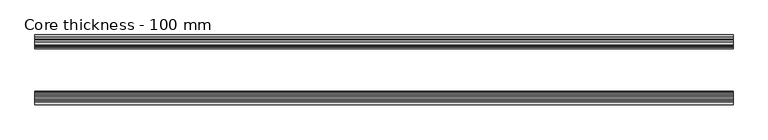
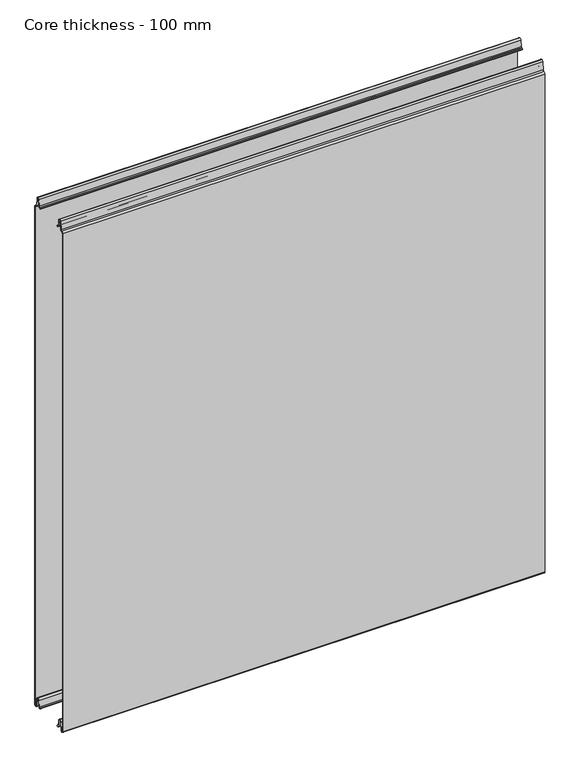
"""IFC4 building model written with IfcOpenShell, lengths in millimetres: plate geometry, Core thickness - 100 mm."""

import ifcopenshell
import ifcopenshell.guid

model = None  # the IFC model being written
_history = None  # IfcOwnerHistory: only IFC2X3 demands one
_inside = {}  # id of a spatial element -> (the spatial element, [elements in it])
_under = {}  # id of a project, library or spatial element -> (it, [spatial elements below it])
_declared = {}  # id of a project -> (the project, [libraries it declares])
_typed = {}  # id of a type object -> (the type object, [elements of that type])
_made_of = {}  # id of a material, layer set ... -> (it, [elements and type objects made of it])


def new_model(schema):
    """Start an empty IFC model of exactly this schema.

    Asked for "IFC4X3", IfcOpenShell would pick the latest addendum, in which some entities
    have other attributes; the version numbers below select the first issue.
    IFC2X3 requires an IfcOwnerHistory on every rooted entity: one is made here for all.
    """
    global model, _history
    if schema == "IFC4X3":
        model = ifcopenshell.file(schema_version=(4, 3, 0, 0))
    else:
        model = ifcopenshell.file(schema=schema)
    _inside.clear()
    _under.clear()
    _declared.clear()
    _typed.clear()
    _made_of.clear()
    _history = None
    if model.schema == "IFC2X3":
        org = make("IfcOrganization", Name="unknown")
        user = make(
            "IfcPersonAndOrganization",
            ThePerson=make("IfcPerson", FamilyName="unknown"),
            TheOrganization=org,
        )
        app = make(
            "IfcApplication",
            ApplicationDeveloper=org,
            Version="unknown",
            ApplicationFullName="unknown",
            ApplicationIdentifier="unknown",
        )
        _history = make(
            "IfcOwnerHistory",
            OwningUser=user,
            OwningApplication=app,
            ChangeAction="ADDED",
            CreationDate=0,
        )
    return model


def make(cls, **values):
    """One entity of the class cls with the attributes given. An attribute that is None is left unset."""
    return model.create_entity(
        cls, **{name: value for name, value in values.items() if value is not None}
    )


def rooted(cls, **values):
    """An entity with a GlobalId (a new one), such as an element, a storey or a relation."""
    return make(cls, GlobalId=ifcopenshell.guid.new(), OwnerHistory=_history, **values)


def si_unit(unit_type, name, prefix=None):
    """IfcSIUnit, for example si_unit("LENGTHUNIT", "METRE", prefix="MILLI")."""
    return make("IfcSIUnit", UnitType=unit_type, Prefix=prefix, Name=name)


def assignment(units):
    """IfcUnitAssignment: the units of a project."""
    return None if units is None else make("IfcUnitAssignment", Units=units)


def point(xyz):
    """IfcCartesianPoint."""
    return None if xyz is None else make("IfcCartesianPoint", Coordinates=xyz)


def direction(xyz):
    """IfcDirection."""
    return None if xyz is None else make("IfcDirection", DirectionRatios=xyz)


def frame(location, z_axis=None, x_axis=None):
    """IfcAxis2Placement3D, a coordinate frame: its origin and axes. An axis left out is left unset."""
    return make(
        "IfcAxis2Placement3D",
        Location=point(location),
        Axis=direction(z_axis),
        RefDirection=direction(x_axis),
    )


def origin():
    """The frame at (0, 0, 0) with its axes left unset."""
    return frame((0.0, 0.0, 0.0))


def place(relative_to, where):
    """IfcLocalPlacement: puts the frame where relative to a parent placement (None: the world)."""
    return make(
        "IfcLocalPlacement", PlacementRelTo=relative_to, RelativePlacement=where
    )


def context(
    kind, dimensions, precision=None, world=None, true_north=None, identifier=None
):
    """IfcGeometricRepresentationContext, for example the 3D "Model" context."""
    return make(
        "IfcGeometricRepresentationContext",
        ContextIdentifier=identifier,
        ContextType=kind,
        CoordinateSpaceDimension=dimensions,
        Precision=precision,
        WorldCoordinateSystem=world,
        TrueNorth=true_north,
    )


def project(units=None, contexts=None):
    """IfcProject with its units and contexts."""
    return rooted(
        "IfcProject",
        Name="project",
        RepresentationContexts=contexts,
        UnitsInContext=assignment(units),
    )


def spatial(cls, under=None, at=None, **own):
    """A site, building, storey or space (cls), placed at a placement, below another one or the project."""
    s = rooted(cls, ObjectPlacement=at, **own)
    if under is not None:
        _under.setdefault(under.id(), (under, []))[1].append(s)
    return s


def polyline(points):
    """IfcPolyline through the points."""
    return make("IfcPolyline", Points=[point(p) for p in points])


def circle_curve(where, radius):
    """IfcCircle in the frame where."""
    return make("IfcCircle", Position=where, Radius=radius)


def shape(context_of_items, identifier, shape_type, items):
    """IfcShapeRepresentation: the items that make up one representation, for example the "Body"."""
    return make(
        "IfcShapeRepresentation",
        ContextOfItems=context_of_items,
        RepresentationIdentifier=identifier,
        RepresentationType=shape_type,
        Items=items,
    )


def source(mapping_origin, context_of_items, identifier, shape_type, items):
    """IfcRepresentationMap: a shape defined once, which mapped items show again and again."""
    return make(
        "IfcRepresentationMap",
        MappingOrigin=mapping_origin,
        MappedRepresentation=shape(context_of_items, identifier, shape_type, items),
    )


def transform(
    local_origin,
    x_axis=None,
    y_axis=None,
    z_axis=None,
    scale=None,
    scale2=None,
    scale3=None,
    uniform=True,
):
    """IfcCartesianTransformationOperator3D, or its non-uniform kind. x_axis, y_axis, z_axis: its Axis1, 2, 3."""
    if uniform:
        return make(
            "IfcCartesianTransformationOperator3D",
            Axis1=direction(x_axis),
            Axis2=direction(y_axis),
            LocalOrigin=point(local_origin),
            Scale=scale,
            Axis3=direction(z_axis),
        )
    return make(
        "IfcCartesianTransformationOperator3DnonUniform",
        Axis1=direction(x_axis),
        Axis2=direction(y_axis),
        LocalOrigin=point(local_origin),
        Scale=scale,
        Axis3=direction(z_axis),
        Scale2=scale2,
        Scale3=scale3,
    )


def mapped(mapping_source, mapping_target):
    """IfcMappedItem: shows the shape of a source again, moved by a transform."""
    return make(
        "IfcMappedItem", MappingSource=mapping_source, MappingTarget=mapping_target
    )


def made_of(thing, what):
    """Note that an element or type object is made of a material, layer set ...; save() writes the relation."""
    if what is not None:
        _made_of.setdefault(what.id(), (what, []))[1].append(thing)
    return thing


def element(
    cls,
    number,
    at=None,
    inside=None,
    cuts=None,
    type_object=None,
    material=None,
    context=None,
    identifier="Body",
    shape_type=None,
    held_by="IfcProductDefinitionShape",
    body=None,
    shapes=None,
    **own,
):
    """One element of the class cls, such as IfcWall. Its Tag is "e" and its number.

    at: its placement. inside: the storey or other place that contains it. cuts: it is an
    opening in that element (IfcRelVoidsElement). A single representation is given by context,
    identifier, shape_type and body (its items); several are given by shapes. held_by: the class
    of the entity that holds the representations. save() writes the other relations.
    """
    e = rooted(cls, Tag="e%d" % number, ObjectPlacement=at, **own)
    if body is not None:
        shapes = [shape(context, identifier, shape_type, body)]
    if shapes is not None:
        e.Representation = make(held_by, Representations=shapes)
    if inside is not None:
        _inside.setdefault(inside.id(), (inside, []))[1].append(e)
    if cuts is not None:
        rooted(
            "IfcRelVoidsElement", RelatingBuildingElement=cuts, RelatedOpeningElement=e
        )
    if type_object is not None:
        _typed.setdefault(type_object.id(), (type_object, []))[1].append(e)
    return made_of(e, material)


def aggregate(whole, parts):
    """IfcRelAggregates: a whole, such as a stair, and the parts it consists of."""
    return rooted("IfcRelAggregates", RelatingObject=whole, RelatedObjects=parts)


def save(model, path):
    """Write the relations noted so far, then the file.

    IfcRelAggregates (storeys below a building ...), IfcRelContainedInSpatialStructure (elements
    in a storey), IfcRelDefinesByType, IfcRelAssociatesMaterial and IfcRelDeclares: one each for
    every whole, place, type object, material and project.
    """
    for whole, parts in _under.values():
        aggregate(whole, parts)
    for where, things in _inside.values():
        rooted(
            "IfcRelContainedInSpatialStructure",
            RelatedElements=things,
            RelatingStructure=where,
        )
    for kind, things in _typed.values():
        rooted("IfcRelDefinesByType", RelatedObjects=things, RelatingType=kind)
    for what, things in _made_of.values():
        rooted("IfcRelAssociatesMaterial", RelatedObjects=things, RelatingMaterial=what)
    for by, libraries in _declared.values():
        rooted("IfcRelDeclares", RelatingContext=by, RelatedDefinitions=libraries)
    model.write(path)


def plane_surface(at):
    """IfcPlane: the flat surface through the origin of the frame at, square to its z axis."""
    return make("IfcPlane", Position=at)


def cylinder_surface(at, radius):
    """IfcCylindricalSurface: all points at the distance radius from the z axis of the frame at."""
    return make("IfcCylindricalSurface", Position=at, Radius=radius)


def revolved_surface(curve, axis_point, axis_direction):
    """IfcSurfaceOfRevolution: the curve turned about the line through axis_point along axis_direction."""
    return make(
        "IfcSurfaceOfRevolution",
        SweptCurve=make("IfcArbitraryOpenProfileDef", ProfileType="CURVE", Curve=curve),
        AxisPosition=make("IfcAxis1Placement", Location=point(axis_point), Axis=direction(axis_direction)),
    )


def advanced_brep(points, edges, surfaces, faces):
    """IfcAdvancedBrep: a solid bounded by faces that lie on surfaces and meet in shared edges.

    An edge is (start, end): straight between two places in points (the first is 0);
    or (start, end, curve); or (start, end, curve, False) where it runs against its curve.
    A face is (place in surfaces, loops), or (place, loops, False) where it looks against
    its surface's normal. A loop lists edges by number (the first is 1), with a minus sign
    where the edge is run from its end to its start. The first loop is the outer one.
    """
    corners = [point(p) for p in points]
    vertices = [make("IfcVertexPoint", VertexGeometry=c) for c in corners]
    made = []
    for start, end, *more in edges:
        made.append(
            make(
                "IfcEdgeCurve",
                EdgeStart=vertices[start],
                EdgeEnd=vertices[end],
                EdgeGeometry=more[0] if more else make("IfcPolyline", Points=[corners[start], corners[end]]),
                SameSense=more[1] if len(more) > 1 else True,
            )
        )
    hull = []
    for where, loops, *sense in faces:
        bounds = []
        for j, loop in enumerate(loops):
            ring = [make("IfcOrientedEdge", EdgeElement=made[abs(k) - 1], Orientation=k > 0) for k in loop]
            bounds.append(
                make(
                    "IfcFaceOuterBound" if j == 0 else "IfcFaceBound",
                    Bound=make("IfcEdgeLoop", EdgeList=ring),
                    Orientation=True,
                )
            )
        hull.append(make("IfcAdvancedFace", Bounds=bounds, FaceSurface=surfaces[where], SameSense=sense[0] if sense else True))
    return make("IfcAdvancedBrep", Outer=make("IfcClosedShell", CfsFaces=hull))


def core_thickness_100_mm_8b39f013(model_context):
    return source(origin(), model_context, "Body", "AdvancedBrep", [
        advanced_brep(
        [(500.0000002, -99.1996949, 1093.8000005), (500.0000002, -96.6339815, 1096.1942726), (500.0000002, -93.1209335, 1099.1779769), (500.0000002, -91.4584333, 1116.1334653), (500.0000002, -89.1776715, 1118.1999998), (500.0000002, -86.8969097, 1116.1334653), (500.0000002, -85.5642071, 1102.5415123), (500.0000002, -82.9766159, 1100.1952279), (500.0000002, -81.8996949, 1100.1952279), (500.0000002, -81.2996949, 1099.5952279), (500.0000002, -81.2996949, 1098.4952279), (500.0000002, -80.4996949, 1098.4952279), (500.0000002, -80.4996949, 1099.5952279), (500.0000002, -81.8996949, 1100.9952279), (500.0000002, -82.9766159, 1100.9952279), (500.0000002, -84.7680252, 1102.6195786), (500.0000002, -86.1007278, 1116.2115316), (500.0000002, -89.1776715, 1119.0), (500.0000002, -92.2546153, 1116.2115316), (500.0000002, -93.9171154, 1099.2560432), (500.0000002, -96.5778021, 1097.005967), (500.0000002, -99.9996949, 1093.8000005), (500.0000002, -99.9996949, 2.9900682), (500.0000002, -93.81449, 2.6875612), (500.0000002, -92.197116, 19.1828169), (500.0000002, -89.1776715, 21.8898782), (500.0000002, -86.1582271, 19.1828169), (500.0000002, -84.7725998, 5.0510966), (500.0000002, -80.3830995, 5.265779), (500.0000002, -81.1830995, 5.265779), (500.0000002, -83.9764178, 5.1291629), (500.0000002, -85.3620451, 19.2608832), (500.0000002, -89.1776715, 22.6899182), (500.0000002, -92.9932979, 19.2608832), (500.0000002, -94.6106719, 2.7656275), (500.0000002, -99.1996949, 2.9900682), (-500.0000002, -99.2, 1093.8000005), (-500.0000002, -99.2, 2.9900682), (-500.0000002, -94.6106719, 2.7656275), (-500.0000002, -92.9932979, 19.2608832), (-500.0000002, -89.1776715, 22.6899182), (-500.0000002, -85.3620451, 19.2608832), (-500.0000002, -83.9764178, 5.1291629), (-500.0000002, -81.1830995, 5.265779), (-500.0000002, -80.3830995, 5.265779), (-500.0000002, -84.7725998, 5.0510966), (-500.0000002, -86.1582271, 19.1828169), (-500.0000002, -89.1776715, 21.8898782), (-500.0000002, -92.197116, 19.1828169), (-500.0000002, -93.81449, 2.6875612), (-500.0000002, -99.9996949, 2.9900682), (-500.0000002, -99.9996949, 1093.8000005), (-500.0000002, -96.5787437, 1096.9923633), (-500.0000002, -93.9171154, 1099.2560432), (-500.0000002, -92.2546153, 1116.2115316), (-500.0000002, -89.1776715, 1119.0), (-500.0000002, -86.1007278, 1116.2115316), (-500.0000002, -84.7680252, 1102.6195786), (-500.0000002, -82.9766159, 1100.9952279), (-500.0000002, -81.8996949, 1100.9952279), (-500.0000002, -80.4996949, 1099.5952279), (-500.0000002, -80.4996949, 1098.4952279), (-500.0000002, -81.2996949, 1098.4952279), (-500.0000002, -81.2996949, 1099.5952279), (-500.0000002, -81.8996949, 1100.1952279), (-500.0000002, -82.9766159, 1100.1952279), (-500.0000002, -85.5642071, 1102.5415123), (-500.0000002, -86.8969097, 1116.1334653), (-500.0000002, -89.1776715, 1118.1999998), (-500.0000002, -91.4584333, 1116.1334653), (-500.0000002, -93.1209335, 1099.1779769), (-500.0000002, -96.6330399, 1096.2078763)],
        [
            (0, 1, circle_curve(frame((500.0000002, -96.7996949, 1093.8000005), z_axis=(-1.0, 0.0, 0.0), x_axis=(0.0, 0.0, -1.0)), 2.4)),
            (1, 2, circle_curve(frame((500.0000002, -96.4051839, 1099.5000005), z_axis=(1.0, 0.0, 0.0), x_axis=(0.0, 0.0, -1.0)), 3.3)),
            (2, 3),
            (3, 4, circle_curve(frame((500.0000002, -89.1793626, 1115.9100005), z_axis=(-1.0, 0.0, 0.0), x_axis=(0.0, 0.0, -1.0)), 2.29)),
            (4, 5, circle_curve(frame((500.0000002, -89.1759805, 1115.9100005), z_axis=(-1.0, 0.0, 0.0), x_axis=(0.0, 0.0, -1.0)), 2.29)),
            (5, 6),
            (6, 7, circle_curve(frame((500.0000002, -82.9766159, 1102.7952279), z_axis=(1.0, 0.0, 0.0), x_axis=(0.0, 0.0, -1.0)), 2.6)),
            (7, 8),
            (8, 9, circle_curve(frame((500.0000002, -81.8996949, 1099.5952279), z_axis=(-1.0, 0.0, 0.0), x_axis=(0.0, 0.0, -1.0)), 0.6)),
            (9, 10),
            (10, 11),
            (11, 12),
            (12, 13, circle_curve(frame((500.0000002, -81.8996949, 1099.5952279), z_axis=(1.0, 0.0, 0.0), x_axis=(0.0, 0.0, -1.0)), 1.4)),
            (13, 14),
            (14, 15, circle_curve(frame((500.0000002, -82.9766159, 1102.7952279), z_axis=(-1.0, 0.0, 0.0), x_axis=(0.0, 0.0, -1.0)), 1.8)),
            (15, 16),
            (16, 17, circle_curve(frame((500.0000002, -89.1759805, 1115.9100005), z_axis=(1.0, 0.0, 0.0), x_axis=(0.0, 0.0, -1.0)), 3.09)),
            (17, 18, circle_curve(frame((500.0000002, -89.1793626, 1115.9100005), z_axis=(1.0, 0.0, 0.0), x_axis=(0.0, 0.0, -1.0)), 3.09)),
            (18, 19),
            (19, 20, circle_curve(frame((500.0000002, -96.4051839, 1099.5000005), z_axis=(-1.0, 0.0, 0.0), x_axis=(0.0, 0.0, -1.0)), 2.5)),
            (20, 21, circle_curve(frame((500.0000002, -96.7996949, 1093.8000005), z_axis=(1.0, 0.0, 0.0), x_axis=(0.0, 0.0, -1.0)), 3.2)),
            (21, 22),
            (22, 23, circle_curve(frame((500.0000002, -96.8996949, 2.9900682), z_axis=(1.0, 0.0, 0.0), x_axis=(0.0, 0.0, -1.0)), 3.1)),
            (23, 24),
            (24, 25, circle_curve(frame((500.0000002, -89.2114338, 18.8900682), z_axis=(-1.0, 0.0, 0.0), x_axis=(0.0, 0.0, -1.0)), 3.0)),
            (25, 26, circle_curve(frame((500.0000002, -89.1439093, 18.8900682), z_axis=(-1.0, 0.0, 0.0), x_axis=(0.0, 0.0, -1.0)), 3.0)),
            (26, 27),
            (27, 28, circle_curve(frame((500.0000002, -82.5830995, 5.265779), z_axis=(1.0, 0.0, 0.0), x_axis=(0.0, 0.0, -1.0)), 2.2)),
            (28, 29),
            (29, 30, circle_curve(frame((500.0000002, -82.5830995, 5.265779), z_axis=(-1.0, 0.0, 0.0), x_axis=(0.0, 0.0, -1.0)), 1.4)),
            (30, 31),
            (31, 32, circle_curve(frame((500.0000002, -89.1439093, 18.8900682), z_axis=(1.0, 0.0, 0.0), x_axis=(0.0, 0.0, -1.0)), 3.8)),
            (32, 33, circle_curve(frame((500.0000002, -89.2114338, 18.8900682), z_axis=(1.0, 0.0, 0.0), x_axis=(0.0, 0.0, -1.0)), 3.8)),
            (33, 34),
            (34, 35, circle_curve(frame((500.0000002, -96.8996949, 2.9900682), z_axis=(-1.0, 0.0, 0.0), x_axis=(0.0, 0.0, -1.0)), 2.3)),
            (35, 0),
            (36, 37),
            (37, 38, circle_curve(frame((-500.0000002, -96.8996949, 2.9900682), z_axis=(1.0, 0.0, 0.0), x_axis=(0.0, 0.0, -1.0)), 2.3)),
            (38, 39),
            (39, 40, circle_curve(frame((-500.0000002, -89.2114338, 18.8900682), z_axis=(-1.0, 0.0, 0.0), x_axis=(0.0, 0.0, -1.0)), 3.8)),
            (40, 41, circle_curve(frame((-500.0000002, -89.1439093, 18.8900682), z_axis=(-1.0, 0.0, 0.0), x_axis=(0.0, 0.0, -1.0)), 3.8)),
            (41, 42),
            (42, 43, circle_curve(frame((-500.0000002, -82.5830995, 5.265779), z_axis=(1.0, 0.0, 0.0), x_axis=(0.0, 0.0, -1.0)), 1.4)),
            (43, 44),
            (44, 45, circle_curve(frame((-500.0000002, -82.5830995, 5.265779), z_axis=(-1.0, 0.0, 0.0), x_axis=(0.0, 0.0, -1.0)), 2.2)),
            (45, 46),
            (46, 47, circle_curve(frame((-500.0000002, -89.1439093, 18.8900682), z_axis=(1.0, 0.0, 0.0), x_axis=(0.0, 0.0, -1.0)), 3.0)),
            (47, 48, circle_curve(frame((-500.0000002, -89.2114338, 18.8900682), z_axis=(1.0, 0.0, 0.0), x_axis=(0.0, 0.0, -1.0)), 3.0)),
            (48, 49),
            (49, 50, circle_curve(frame((-500.0000002, -96.8996949, 2.9900682), z_axis=(-1.0, 0.0, 0.0), x_axis=(0.0, 0.0, -1.0)), 3.1)),
            (50, 51),
            (51, 52, circle_curve(frame((-500.0000002, -96.7996949, 1093.8000005), z_axis=(-1.0, 0.0, 0.0), x_axis=(0.0, 0.0, -1.0)), 3.2)),
            (52, 53, circle_curve(frame((-500.0000002, -96.4051839, 1099.5000005), z_axis=(1.0, 0.0, 0.0), x_axis=(0.0, 0.0, -1.0)), 2.5)),
            (53, 54),
            (54, 55, circle_curve(frame((-500.0000002, -89.1793626, 1115.9100005), z_axis=(-1.0, 0.0, 0.0), x_axis=(0.0, 0.0, -1.0)), 3.09)),
            (55, 56, circle_curve(frame((-500.0000002, -89.1759805, 1115.9100005), z_axis=(-1.0, 0.0, 0.0), x_axis=(0.0, 0.0, -1.0)), 3.09)),
            (56, 57),
            (57, 58, circle_curve(frame((-500.0000002, -82.9766159, 1102.7952279), z_axis=(1.0, 0.0, 0.0), x_axis=(0.0, 0.0, -1.0)), 1.8)),
            (58, 59),
            (59, 60, circle_curve(frame((-500.0000002, -81.8996949, 1099.5952279), z_axis=(-1.0, 0.0, 0.0), x_axis=(0.0, 0.0, -1.0)), 1.4)),
            (60, 61),
            (61, 62),
            (62, 63),
            (63, 64, circle_curve(frame((-500.0000002, -81.8996949, 1099.5952279), z_axis=(1.0, 0.0, 0.0), x_axis=(0.0, 0.0, -1.0)), 0.6)),
            (64, 65),
            (65, 66, circle_curve(frame((-500.0000002, -82.9766159, 1102.7952279), z_axis=(-1.0, 0.0, 0.0), x_axis=(0.0, 0.0, -1.0)), 2.6)),
            (66, 67),
            (67, 68, circle_curve(frame((-500.0000002, -89.1759805, 1115.9100005), z_axis=(1.0, 0.0, 0.0), x_axis=(0.0, 0.0, -1.0)), 2.29)),
            (68, 69, circle_curve(frame((-500.0000002, -89.1793626, 1115.9100005), z_axis=(1.0, 0.0, 0.0), x_axis=(0.0, 0.0, -1.0)), 2.29)),
            (69, 70),
            (70, 71, circle_curve(frame((-500.0000002, -96.4051839, 1099.5000005), z_axis=(-1.0, 0.0, 0.0), x_axis=(0.0, 0.0, -1.0)), 3.3)),
            (71, 36, circle_curve(frame((-500.0000002, -96.7996949, 1093.8000005), z_axis=(1.0, 0.0, 0.0), x_axis=(0.0, 0.0, -1.0)), 2.4)),
            (35, 37),
            (36, 0),
            (21, 51),
            (50, 22),
            (20, 52),
            (19, 53),
            (18, 54),
            (17, 55),
            (16, 56),
            (15, 57),
            (14, 58),
            (13, 59),
            (12, 60),
            (11, 61),
            (10, 62),
            (9, 63),
            (8, 64),
            (7, 65),
            (6, 66),
            (5, 67),
            (4, 68),
            (3, 69),
            (2, 70),
            (1, 71),
            (34, 38),
            (33, 39),
            (32, 40),
            (31, 41),
            (30, 42),
            (29, 43),
            (28, 44),
            (27, 45),
            (26, 46),
            (25, 47),
            (24, 48),
            (23, 49),
        ],
        [
            plane_surface(frame((500.0000002, -100.0, 0.0), z_axis=(1.0, 0.0, 0.0), x_axis=(0.0, 1.0, 0.0))),
            plane_surface(frame((-500.0000002, -100.0, 0.0), z_axis=(-1.0, 0.0, 0.0), x_axis=(0.0, 1.0, 0.0))),
            plane_surface(frame((500.0000002, -99.2, 2.9900682), z_axis=(0.0, 1.0, 0.0), x_axis=(-1.0, 0.0, 0.0))),
            plane_surface(frame((500.0000002, -99.9996949, 1093.8000005), z_axis=(0.0, -1.0, 0.0), x_axis=(-1.0, 0.0, 0.0))),
            cylinder_surface(frame((500.0000002, -96.7996949, 1093.8000005), z_axis=(1.0, 0.0, 0.0), x_axis=(0.0, 0.0, -1.0)), 3.2),
            revolved_surface(polyline([(-500.0000002, -96.4051839, 1097.0000005), (500.0000002, -96.4051839, 1097.0000005)]), (500.0000002, -96.4051839, 1099.5000005), (-1.0, 0.0, 0.0)),
            plane_surface(frame((500.0000002, -92.2546153, 1116.2115316), z_axis=(0.0, -0.9952273999818317, 0.0975828997591444), x_axis=(-1.0, 0.0, 0.0))),
            cylinder_surface(frame((500.0000002, -89.1793626, 1115.9100005), z_axis=(1.0, 0.0, 0.0), x_axis=(0.0, 0.0, -1.0)), 3.09),
            cylinder_surface(frame((500.0000002, -89.1759805, 1115.9100005), z_axis=(1.0, 0.0, 0.0), x_axis=(0.0, 0.0, -1.0)), 3.09),
            plane_surface(frame((500.0000002, -84.7680252, 1102.6195786), z_axis=(0.0, 0.9952273999818314, 0.0975828997591471), x_axis=(-1.0, 0.0, 0.0))),
            revolved_surface(polyline([(-500.0000002, -82.9766159, 1100.9952279000001), (500.0000002, -82.9766159, 1100.9952279000001)]), (500.0000002, -82.9766159, 1102.7952279), (-1.0, 0.0, 0.0)),
            plane_surface(frame((500.0000002, -81.8996949, 1100.9952279), z_axis=(0.0, 0.0, 1.0), x_axis=(-1.0, 0.0, 0.0))),
            cylinder_surface(frame((500.0000002, -81.8996949, 1099.5952279), z_axis=(1.0, 0.0, 0.0), x_axis=(0.0, 0.0, -1.0)), 1.4),
            plane_surface(frame((500.0000002, -80.4996949, 1098.4952279), z_axis=(0.0, 1.0, 0.0), x_axis=(-1.0, 0.0, 0.0))),
            plane_surface(frame((500.0000002, -81.2996949, 1098.4952279), z_axis=(0.0, 0.0, -1.0), x_axis=(-1.0, 0.0, 0.0))),
            plane_surface(frame((500.0000002, -81.2996949, 1099.5952279), z_axis=(0.0, -1.0, 0.0), x_axis=(-1.0, 0.0, 0.0))),
            revolved_surface(polyline([(-500.0000002, -81.8996949, 1098.9952279000001), (500.0000002, -81.8996949, 1098.9952279000001)]), (500.0000002, -81.8996949, 1099.5952279), (-1.0, 0.0, 0.0)),
            plane_surface(frame((500.0000002, -82.9766159, 1100.1952279), z_axis=(0.0, 0.0, -1.0), x_axis=(-1.0, 0.0, 0.0))),
            cylinder_surface(frame((500.0000002, -82.9766159, 1102.7952279), z_axis=(1.0, 0.0, 0.0), x_axis=(0.0, 0.0, -1.0)), 2.6),
            plane_surface(frame((500.0000002, -86.8969097, 1116.1334653), z_axis=(0.0, -0.9952273999818314, -0.09758289975914705), x_axis=(-1.0, 0.0, 0.0))),
            revolved_surface(polyline([(-500.0000002, -89.1759805, 1113.6200005), (500.0000002, -89.1759805, 1113.6200005)]), (500.0000002, -89.1759805, 1115.9100005), (-1.0, 0.0, 0.0)),
            revolved_surface(polyline([(-500.0000002, -89.1793626, 1113.6200005), (500.0000002, -89.1793626, 1113.6200005)]), (500.0000002, -89.1793626, 1115.9100005), (-1.0, 0.0, 0.0)),
            plane_surface(frame((500.0000002, -93.1209335, 1099.1779769), z_axis=(0.0, 0.9952273999818317, -0.09758289975914436), x_axis=(-1.0, 0.0, 0.0))),
            cylinder_surface(frame((500.0000002, -96.4051839, 1099.5000005), z_axis=(1.0, 0.0, 0.0), x_axis=(0.0, 0.0, -1.0)), 3.3),
            revolved_surface(polyline([(-500.0000002, -96.7996949, 1091.4000004999998), (500.0000002, -96.7996949, 1091.4000004999998)]), (500.0000002, -96.7996949, 1093.8000005), (-1.0, 0.0, 0.0)),
            revolved_surface(polyline([(-500.0000002, -96.8996949, 0.6900682000000002), (500.0000002, -96.8996949, 0.6900682000000002)]), (500.0000002, -96.8996949, 2.9900682), (-1.0, 0.0, 0.0)),
            plane_surface(frame((500.0000002, -92.9932979, 19.2608832), z_axis=(0.0, -0.9952273999818314, 0.09758289975914787), x_axis=(-1.0, 0.0, 0.0))),
            cylinder_surface(frame((500.0000002, -89.2114338, 18.8900682), z_axis=(1.0, 0.0, 0.0), x_axis=(0.0, 0.0, -1.0)), 3.8),
            cylinder_surface(frame((500.0000002, -89.1439093, 18.8900682), z_axis=(1.0, 0.0, 0.0), x_axis=(0.0, 0.0, -1.0)), 3.8),
            plane_surface(frame((500.0000002, -83.9764178, 5.1291629), z_axis=(0.0, 0.9952273999818297, 0.09758289975916531), x_axis=(-1.0, 0.0, 0.0))),
            revolved_surface(polyline([(-500.0000002, -82.5830995, 3.8657790000000003), (500.0000002, -82.5830995, 3.8657790000000003)]), (500.0000002, -82.5830995, 5.265779), (-1.0, 0.0, 0.0)),
            plane_surface(frame((500.0000002, -80.3830995, 5.265779), z_axis=(0.0, 0.0, 1.0), x_axis=(-1.0, 0.0, 0.0))),
            cylinder_surface(frame((500.0000002, -82.5830995, 5.265779), z_axis=(1.0, 0.0, 0.0), x_axis=(0.0, 0.0, -1.0)), 2.2),
            plane_surface(frame((500.0000002, -86.1582271, 19.1828169), z_axis=(0.0, -0.9952273999818296, -0.09758289975916527), x_axis=(-1.0, 0.0, 0.0))),
            revolved_surface(polyline([(-500.0000002, -89.1439093, 15.890068200000002), (500.0000002, -89.1439093, 15.890068200000002)]), (500.0000002, -89.1439093, 18.8900682), (-1.0, 0.0, 0.0)),
            revolved_surface(polyline([(-500.0000002, -89.2114338, 15.890068200000002), (500.0000002, -89.2114338, 15.890068200000002)]), (500.0000002, -89.2114338, 18.8900682), (-1.0, 0.0, 0.0)),
            plane_surface(frame((500.0000002, -93.81449, 2.6875612), z_axis=(0.0, 0.9952273999818314, -0.09758289975914787), x_axis=(-1.0, 0.0, 0.0))),
            cylinder_surface(frame((500.0000002, -96.8996949, 2.9900682), z_axis=(1.0, 0.0, 0.0), x_axis=(0.0, 0.0, -1.0)), 3.1),
        ],
        [
            (0, [[1, 2, 3, 4, 5, 6, 7, 8, 9, 10, 11, 12, 13, 14, 15, 16, 17, 18, 19, 20, 21, 22, 23, 24, 25, 26, 27, 28, 29, 30, 31, 32, 33, 34, 35, 36]]),
            (1, [[37, 38, 39, 40, 41, 42, 43, 44, 45, 46, 47, 48, 49, 50, 51, 52, 53, 54, 55, 56, 57, 58, 59, 60, 61, 62, 63, 64, 65, 66, 67, 68, 69, 70, 71, 72]]),
            (2, [[-36, 73, -37, 74]]),
            (3, [[-22, 75, -51, 76]]),
            (4, [[-21, 77, -52, -75]]),
            (5, [[-20, 78, -53, -77]]),
            (6, [[-19, 79, -54, -78]]),
            (7, [[-18, 80, -55, -79]]),
            (8, [[-17, 81, -56, -80]]),
            (9, [[-16, 82, -57, -81]]),
            (10, [[-15, 83, -58, -82]]),
            (11, [[-14, 84, -59, -83]]),
            (12, [[-13, 85, -60, -84]]),
            (13, [[-12, 86, -61, -85]]),
            (14, [[-11, 87, -62, -86]]),
            (15, [[-10, 88, -63, -87]]),
            (16, [[-9, 89, -64, -88]]),
            (17, [[-8, 90, -65, -89]]),
            (18, [[-7, 91, -66, -90]]),
            (19, [[-6, 92, -67, -91]]),
            (20, [[-5, 93, -68, -92]]),
            (21, [[-4, 94, -69, -93]]),
            (22, [[-3, 95, -70, -94]]),
            (23, [[-2, 96, -71, -95]]),
            (24, [[-1, -74, -72, -96]]),
            (25, [[-35, 97, -38, -73]]),
            (26, [[-34, 98, -39, -97]]),
            (27, [[-33, 99, -40, -98]]),
            (28, [[-32, 100, -41, -99]]),
            (29, [[-31, 101, -42, -100]]),
            (30, [[-30, 102, -43, -101]]),
            (31, [[-29, 103, -44, -102]]),
            (32, [[-28, 104, -45, -103]]),
            (33, [[-27, 105, -46, -104]]),
            (34, [[-26, 106, -47, -105]]),
            (35, [[-25, 107, -48, -106]]),
            (36, [[-24, 108, -49, -107]]),
            (37, [[-23, -76, -50, -108]]),
        ],
    ),
        advanced_brep(
        [(500.0000002, -0.8, 1093.8000005), (500.0000002, -0.8, 2.9900682), (500.0000002, -5.3893281, 2.7656275), (500.0000002, -7.0067021, 19.2608832), (500.0000002, -10.8223285, 22.6899182), (500.0000002, -14.6379549, 19.2608832), (500.0000002, -16.0235822, 5.1291629), (500.0000002, -18.8169005, 5.265779), (500.0000002, -19.6169005, 5.265779), (500.0000002, -15.2274002, 5.0510966), (500.0000002, -13.8417729, 19.1828169), (500.0000002, -10.8223285, 21.8898782), (500.0000002, -7.802884, 19.1828169), (500.0000002, -6.18551, 2.6875612), (500.0000002, -0.0003051, 2.9900682), (500.0000002, -0.0003051, 1093.8000005), (500.0000002, -3.4212563, 1096.9923633), (500.0000002, -6.0828846, 1099.2560432), (500.0000002, -7.7453847, 1116.2115316), (500.0000002, -10.8223285, 1119.0), (500.0000002, -13.8992722, 1116.2115316), (500.0000002, -15.2319748, 1102.6195786), (500.0000002, -17.0233841, 1100.9952279), (500.0000002, -18.1003051, 1100.9952279), (500.0000002, -19.5003051, 1099.5952279), (500.0000002, -19.5003051, 1098.4952279), (500.0000002, -18.7003051, 1098.4952279), (500.0000002, -18.7003051, 1099.5952279), (500.0000002, -18.1003051, 1100.1952279), (500.0000002, -17.0233841, 1100.1952279), (500.0000002, -14.4357929, 1102.5415123), (500.0000002, -13.1030903, 1116.1334653), (500.0000002, -10.8223285, 1118.1999998), (500.0000002, -8.5415667, 1116.1334653), (500.0000002, -6.8790665, 1099.1779769), (500.0000002, -3.3669601, 1096.2078763), (-500.0000002, -0.8003051, 1093.8000005), (-500.0000002, -3.3660185, 1096.1942726), (-500.0000002, -6.8790665, 1099.1779769), (-500.0000002, -8.5415667, 1116.1334653), (-500.0000002, -10.8223285, 1118.1999998), (-500.0000002, -13.1030903, 1116.1334653), (-500.0000002, -14.4357929, 1102.5415123), (-500.0000002, -17.0233841, 1100.1952279), (-500.0000002, -18.1003051, 1100.1952279), (-500.0000002, -18.7003051, 1099.5952279), (-500.0000002, -18.7003051, 1098.4952279), (-500.0000002, -19.5003051, 1098.4952279), (-500.0000002, -19.5003051, 1099.5952279), (-500.0000002, -18.1003051, 1100.9952279), (-500.0000002, -17.0233841, 1100.9952279), (-500.0000002, -15.2319748, 1102.6195786), (-500.0000002, -13.8992722, 1116.2115316), (-500.0000002, -10.8223285, 1119.0), (-500.0000002, -7.7453847, 1116.2115316), (-500.0000002, -6.0828846, 1099.2560432), (-500.0000002, -3.4221979, 1097.005967), (-500.0000002, -0.0003051, 1093.8000005), (-500.0000002, -0.0003051, 2.9900682), (-500.0000002, -6.18551, 2.6875612), (-500.0000002, -7.802884, 19.1828169), (-500.0000002, -10.8223285, 21.8898782), (-500.0000002, -13.8417729, 19.1828169), (-500.0000002, -15.2274002, 5.0510966), (-500.0000002, -19.6169005, 5.265779), (-500.0000002, -18.8169005, 5.265779), (-500.0000002, -16.0235822, 5.1291629), (-500.0000002, -14.6379549, 19.2608832), (-500.0000002, -10.8223285, 22.6899182), (-500.0000002, -7.0067021, 19.2608832), (-500.0000002, -5.3893281, 2.7656275), (-500.0000002, -0.8003051, 2.9900682)],
        [
            (0, 1),
            (1, 2, circle_curve(frame((500.0000002, -3.1003051, 2.9900682), z_axis=(-1.0, 0.0, 0.0), x_axis=(0.0, 0.0, -1.0)), 2.3)),
            (2, 3),
            (3, 4, circle_curve(frame((500.0000002, -10.7885662, 18.8900682), z_axis=(1.0, 0.0, 0.0), x_axis=(0.0, 0.0, -1.0)), 3.8)),
            (4, 5, circle_curve(frame((500.0000002, -10.8560907, 18.8900682), z_axis=(1.0, 0.0, 0.0), x_axis=(0.0, 0.0, -1.0)), 3.8)),
            (5, 6),
            (6, 7, circle_curve(frame((500.0000002, -17.4169005, 5.265779), z_axis=(-1.0, 0.0, 0.0), x_axis=(0.0, 0.0, -1.0)), 1.4)),
            (7, 8),
            (8, 9, circle_curve(frame((500.0000002, -17.4169005, 5.265779), z_axis=(1.0, 0.0, 0.0), x_axis=(0.0, 0.0, -1.0)), 2.2)),
            (9, 10),
            (10, 11, circle_curve(frame((500.0000002, -10.8560907, 18.8900682), z_axis=(-1.0, 0.0, 0.0), x_axis=(0.0, 0.0, -1.0)), 3.0)),
            (11, 12, circle_curve(frame((500.0000002, -10.7885662, 18.8900682), z_axis=(-1.0, 0.0, 0.0), x_axis=(0.0, 0.0, -1.0)), 3.0)),
            (12, 13),
            (13, 14, circle_curve(frame((500.0000002, -3.1003051, 2.9900682), z_axis=(1.0, 0.0, 0.0), x_axis=(0.0, 0.0, -1.0)), 3.1)),
            (14, 15),
            (15, 16, circle_curve(frame((500.0000002, -3.2003051, 1093.8000005), z_axis=(1.0, 0.0, 0.0), x_axis=(0.0, 0.0, -1.0)), 3.2)),
            (16, 17, circle_curve(frame((500.0000002, -3.5948161, 1099.5000005), z_axis=(-1.0, 0.0, 0.0), x_axis=(0.0, 0.0, -1.0)), 2.5)),
            (17, 18),
            (18, 19, circle_curve(frame((500.0000002, -10.8206374, 1115.9100005), z_axis=(1.0, 0.0, 0.0), x_axis=(0.0, 0.0, -1.0)), 3.09)),
            (19, 20, circle_curve(frame((500.0000002, -10.8240195, 1115.9100005), z_axis=(1.0, 0.0, 0.0), x_axis=(0.0, 0.0, -1.0)), 3.09)),
            (20, 21),
            (21, 22, circle_curve(frame((500.0000002, -17.0233841, 1102.7952279), z_axis=(-1.0, 0.0, 0.0), x_axis=(0.0, 0.0, -1.0)), 1.8)),
            (22, 23),
            (23, 24, circle_curve(frame((500.0000002, -18.1003051, 1099.5952279), z_axis=(1.0, 0.0, 0.0), x_axis=(0.0, 0.0, -1.0)), 1.4)),
            (24, 25),
            (25, 26),
            (26, 27),
            (27, 28, circle_curve(frame((500.0000002, -18.1003051, 1099.5952279), z_axis=(-1.0, 0.0, 0.0), x_axis=(0.0, 0.0, -1.0)), 0.6)),
            (28, 29),
            (29, 30, circle_curve(frame((500.0000002, -17.0233841, 1102.7952279), z_axis=(1.0, 0.0, 0.0), x_axis=(0.0, 0.0, -1.0)), 2.6)),
            (30, 31),
            (31, 32, circle_curve(frame((500.0000002, -10.8240195, 1115.9100005), z_axis=(-1.0, 0.0, 0.0), x_axis=(0.0, 0.0, -1.0)), 2.29)),
            (32, 33, circle_curve(frame((500.0000002, -10.8206374, 1115.9100005), z_axis=(-1.0, 0.0, 0.0), x_axis=(0.0, 0.0, -1.0)), 2.29)),
            (33, 34),
            (34, 35, circle_curve(frame((500.0000002, -3.5948161, 1099.5000005), z_axis=(1.0, 0.0, 0.0), x_axis=(0.0, 0.0, -1.0)), 3.3)),
            (35, 0, circle_curve(frame((500.0000002, -3.2003051, 1093.8000005), z_axis=(-1.0, 0.0, 0.0), x_axis=(0.0, 0.0, -1.0)), 2.4)),
            (36, 37, circle_curve(frame((-500.0000002, -3.2003051, 1093.8000005), z_axis=(1.0, 0.0, 0.0), x_axis=(0.0, 0.0, -1.0)), 2.4)),
            (37, 38, circle_curve(frame((-500.0000002, -3.5948161, 1099.5000005), z_axis=(-1.0, 0.0, 0.0), x_axis=(0.0, 0.0, -1.0)), 3.3)),
            (38, 39),
            (39, 40, circle_curve(frame((-500.0000002, -10.8206374, 1115.9100005), z_axis=(1.0, 0.0, 0.0), x_axis=(0.0, 0.0, -1.0)), 2.29)),
            (40, 41, circle_curve(frame((-500.0000002, -10.8240195, 1115.9100005), z_axis=(1.0, 0.0, 0.0), x_axis=(0.0, 0.0, -1.0)), 2.29)),
            (41, 42),
            (42, 43, circle_curve(frame((-500.0000002, -17.0233841, 1102.7952279), z_axis=(-1.0, 0.0, 0.0), x_axis=(0.0, 0.0, -1.0)), 2.6)),
            (43, 44),
            (44, 45, circle_curve(frame((-500.0000002, -18.1003051, 1099.5952279), z_axis=(1.0, 0.0, 0.0), x_axis=(0.0, 0.0, -1.0)), 0.6)),
            (45, 46),
            (46, 47),
            (47, 48),
            (48, 49, circle_curve(frame((-500.0000002, -18.1003051, 1099.5952279), z_axis=(-1.0, 0.0, 0.0), x_axis=(0.0, 0.0, -1.0)), 1.4)),
            (49, 50),
            (50, 51, circle_curve(frame((-500.0000002, -17.0233841, 1102.7952279), z_axis=(1.0, 0.0, 0.0), x_axis=(0.0, 0.0, -1.0)), 1.8)),
            (51, 52),
            (52, 53, circle_curve(frame((-500.0000002, -10.8240195, 1115.9100005), z_axis=(-1.0, 0.0, 0.0), x_axis=(0.0, 0.0, -1.0)), 3.09)),
            (53, 54, circle_curve(frame((-500.0000002, -10.8206374, 1115.9100005), z_axis=(-1.0, 0.0, 0.0), x_axis=(0.0, 0.0, -1.0)), 3.09)),
            (54, 55),
            (55, 56, circle_curve(frame((-500.0000002, -3.5948161, 1099.5000005), z_axis=(1.0, 0.0, 0.0), x_axis=(0.0, 0.0, -1.0)), 2.5)),
            (56, 57, circle_curve(frame((-500.0000002, -3.2003051, 1093.8000005), z_axis=(-1.0, 0.0, 0.0), x_axis=(0.0, 0.0, -1.0)), 3.2)),
            (57, 58),
            (58, 59, circle_curve(frame((-500.0000002, -3.1003051, 2.9900682), z_axis=(-1.0, 0.0, 0.0), x_axis=(0.0, 0.0, -1.0)), 3.1)),
            (59, 60),
            (60, 61, circle_curve(frame((-500.0000002, -10.7885662, 18.8900682), z_axis=(1.0, 0.0, 0.0), x_axis=(0.0, 0.0, -1.0)), 3.0)),
            (61, 62, circle_curve(frame((-500.0000002, -10.8560907, 18.8900682), z_axis=(1.0, 0.0, 0.0), x_axis=(0.0, 0.0, -1.0)), 3.0)),
            (62, 63),
            (63, 64, circle_curve(frame((-500.0000002, -17.4169005, 5.265779), z_axis=(-1.0, 0.0, 0.0), x_axis=(0.0, 0.0, -1.0)), 2.2)),
            (64, 65),
            (65, 66, circle_curve(frame((-500.0000002, -17.4169005, 5.265779), z_axis=(1.0, 0.0, 0.0), x_axis=(0.0, 0.0, -1.0)), 1.4)),
            (66, 67),
            (67, 68, circle_curve(frame((-500.0000002, -10.8560907, 18.8900682), z_axis=(-1.0, 0.0, 0.0), x_axis=(0.0, 0.0, -1.0)), 3.8)),
            (68, 69, circle_curve(frame((-500.0000002, -10.7885662, 18.8900682), z_axis=(-1.0, 0.0, 0.0), x_axis=(0.0, 0.0, -1.0)), 3.8)),
            (69, 70),
            (70, 71, circle_curve(frame((-500.0000002, -3.1003051, 2.9900682), z_axis=(1.0, 0.0, 0.0), x_axis=(0.0, 0.0, -1.0)), 2.3)),
            (71, 36),
            (35, 37),
            (36, 0),
            (34, 38),
            (33, 39),
            (32, 40),
            (31, 41),
            (30, 42),
            (29, 43),
            (28, 44),
            (27, 45),
            (26, 46),
            (25, 47),
            (24, 48),
            (23, 49),
            (22, 50),
            (21, 51),
            (20, 52),
            (19, 53),
            (18, 54),
            (17, 55),
            (16, 56),
            (15, 57),
            (14, 58),
            (71, 1),
            (13, 59),
            (12, 60),
            (11, 61),
            (10, 62),
            (9, 63),
            (8, 64),
            (7, 65),
            (6, 66),
            (5, 67),
            (4, 68),
            (3, 69),
            (2, 70),
        ],
        [
            plane_surface(frame((500.0000002, 0.0, 0.0), z_axis=(1.0, 0.0, 0.0), x_axis=(0.0, -1.0, 0.0))),
            plane_surface(frame((-500.0000002, 0.0, 0.0), z_axis=(-1.0, 0.0, 0.0), x_axis=(0.0, -1.0, 0.0))),
            revolved_surface(polyline([(-500.0000002, -3.2003051, 1091.4000004999998), (500.0000002, -3.2003051, 1091.4000004999998)]), (500.0000002, -3.2003051, 1093.8000005), (-1.0, 0.0, 0.0)),
            cylinder_surface(frame((500.0000002, -3.5948161, 1099.5000005), z_axis=(1.0, 0.0, 0.0), x_axis=(0.0, 0.0, -1.0)), 3.3),
            plane_surface(frame((500.0000002, -8.5415667, 1116.1334653), z_axis=(0.0, -0.9952273999818317, -0.09758289975914436), x_axis=(-1.0, 0.0, 0.0))),
            revolved_surface(polyline([(-500.0000002, -10.8206374, 1113.6200005), (500.0000002, -10.8206374, 1113.6200005)]), (500.0000002, -10.8206374, 1115.9100005), (-1.0, 0.0, 0.0)),
            revolved_surface(polyline([(-500.0000002, -10.8240195, 1113.6200005), (500.0000002, -10.8240195, 1113.6200005)]), (500.0000002, -10.8240195, 1115.9100005), (-1.0, 0.0, 0.0)),
            plane_surface(frame((500.0000002, -14.4357929, 1102.5415123), z_axis=(0.0, 0.9952273999818314, -0.09758289975914705), x_axis=(-1.0, 0.0, 0.0))),
            cylinder_surface(frame((500.0000002, -17.0233841, 1102.7952279), z_axis=(1.0, 0.0, 0.0), x_axis=(0.0, 0.0, -1.0)), 2.6),
            plane_surface(frame((500.0000002, -18.1003051, 1100.1952279), z_axis=(0.0, 0.0, -1.0), x_axis=(-1.0, 0.0, 0.0))),
            revolved_surface(polyline([(-500.0000002, -18.1003051, 1098.9952279000001), (500.0000002, -18.1003051, 1098.9952279000001)]), (500.0000002, -18.1003051, 1099.5952279), (-1.0, 0.0, 0.0)),
            plane_surface(frame((500.0000002, -18.7003051, 1098.4952279), z_axis=(0.0, 1.0, 0.0), x_axis=(-1.0, 0.0, 0.0))),
            plane_surface(frame((500.0000002, -19.5003051, 1098.4952279), z_axis=(0.0, 0.0, -1.0), x_axis=(-1.0, 0.0, 0.0))),
            plane_surface(frame((500.0000002, -19.5003051, 1099.5952279), z_axis=(0.0, -1.0, 0.0), x_axis=(-1.0, 0.0, 0.0))),
            cylinder_surface(frame((500.0000002, -18.1003051, 1099.5952279), z_axis=(1.0, 0.0, 0.0), x_axis=(0.0, 0.0, -1.0)), 1.4),
            plane_surface(frame((500.0000002, -17.0233841, 1100.9952279), z_axis=(0.0, 0.0, 1.0), x_axis=(-1.0, 0.0, 0.0))),
            revolved_surface(polyline([(-500.0000002, -17.0233841, 1100.9952279000001), (500.0000002, -17.0233841, 1100.9952279000001)]), (500.0000002, -17.0233841, 1102.7952279), (-1.0, 0.0, 0.0)),
            plane_surface(frame((500.0000002, -13.8992722, 1116.2115316), z_axis=(0.0, -0.9952273999818314, 0.0975828997591471), x_axis=(-1.0, 0.0, 0.0))),
            cylinder_surface(frame((500.0000002, -10.8240195, 1115.9100005), z_axis=(1.0, 0.0, 0.0), x_axis=(0.0, 0.0, -1.0)), 3.09),
            cylinder_surface(frame((500.0000002, -10.8206374, 1115.9100005), z_axis=(1.0, 0.0, 0.0), x_axis=(0.0, 0.0, -1.0)), 3.09),
            plane_surface(frame((500.0000002, -6.0828846, 1099.2560432), z_axis=(0.0, 0.9952273999818317, 0.0975828997591444), x_axis=(-1.0, 0.0, 0.0))),
            revolved_surface(polyline([(-500.0000002, -3.5948161, 1097.0000005), (500.0000002, -3.5948161, 1097.0000005)]), (500.0000002, -3.5948161, 1099.5000005), (-1.0, 0.0, 0.0)),
            cylinder_surface(frame((500.0000002, -3.2003051, 1093.8000005), z_axis=(1.0, 0.0, 0.0), x_axis=(0.0, 0.0, -1.0)), 3.2),
            plane_surface(frame((500.0000002, -0.0003051, 2.9900682), z_axis=(0.0, 1.0, 0.0), x_axis=(-1.0, 0.0, 0.0))),
            plane_surface(frame((500.0000002, -0.8, 1093.8000005), z_axis=(0.0, -1.0, 0.0), x_axis=(-1.0, 0.0, 0.0))),
            cylinder_surface(frame((500.0000002, -3.1003051, 2.9900682), z_axis=(1.0, 0.0, 0.0), x_axis=(0.0, 0.0, -1.0)), 3.1),
            plane_surface(frame((500.0000002, -7.802884, 19.1828169), z_axis=(0.0, -0.9952273999818314, -0.09758289975914787), x_axis=(-1.0, 0.0, 0.0))),
            revolved_surface(polyline([(-500.0000002, -10.7885662, 15.890068200000002), (500.0000002, -10.7885662, 15.890068200000002)]), (500.0000002, -10.7885662, 18.8900682), (-1.0, 0.0, 0.0)),
            revolved_surface(polyline([(-500.0000002, -10.8560907, 15.890068200000002), (500.0000002, -10.8560907, 15.890068200000002)]), (500.0000002, -10.8560907, 18.8900682), (-1.0, 0.0, 0.0)),
            plane_surface(frame((500.0000002, -15.2274002, 5.0510966), z_axis=(0.0, 0.9952273999818296, -0.09758289975916527), x_axis=(-1.0, 0.0, 0.0))),
            cylinder_surface(frame((500.0000002, -17.4169005, 5.265779), z_axis=(1.0, 0.0, 0.0), x_axis=(0.0, 0.0, -1.0)), 2.2),
            plane_surface(frame((500.0000002, -18.8169005, 5.265779), z_axis=(0.0, 0.0, 1.0), x_axis=(-1.0, 0.0, 0.0))),
            revolved_surface(polyline([(-500.0000002, -17.4169005, 3.8657790000000003), (500.0000002, -17.4169005, 3.8657790000000003)]), (500.0000002, -17.4169005, 5.265779), (-1.0, 0.0, 0.0)),
            plane_surface(frame((500.0000002, -14.6379549, 19.2608832), z_axis=(0.0, -0.9952273999818297, 0.09758289975916531), x_axis=(-1.0, 0.0, 0.0))),
            cylinder_surface(frame((500.0000002, -10.8560907, 18.8900682), z_axis=(1.0, 0.0, 0.0), x_axis=(0.0, 0.0, -1.0)), 3.8),
            cylinder_surface(frame((500.0000002, -10.7885662, 18.8900682), z_axis=(1.0, 0.0, 0.0), x_axis=(0.0, 0.0, -1.0)), 3.8),
            plane_surface(frame((500.0000002, -5.3893281, 2.7656275), z_axis=(0.0, 0.9952273999818314, 0.09758289975914787), x_axis=(-1.0, 0.0, 0.0))),
            revolved_surface(polyline([(-500.0000002, -3.1003051, 0.6900682000000002), (500.0000002, -3.1003051, 0.6900682000000002)]), (500.0000002, -3.1003051, 2.9900682), (-1.0, 0.0, 0.0)),
        ],
        [
            (0, [[1, 2, 3, 4, 5, 6, 7, 8, 9, 10, 11, 12, 13, 14, 15, 16, 17, 18, 19, 20, 21, 22, 23, 24, 25, 26, 27, 28, 29, 30, 31, 32, 33, 34, 35, 36]]),
            (1, [[37, 38, 39, 40, 41, 42, 43, 44, 45, 46, 47, 48, 49, 50, 51, 52, 53, 54, 55, 56, 57, 58, 59, 60, 61, 62, 63, 64, 65, 66, 67, 68, 69, 70, 71, 72]]),
            (2, [[-36, 73, -37, 74]]),
            (3, [[-35, 75, -38, -73]]),
            (4, [[-34, 76, -39, -75]]),
            (5, [[-33, 77, -40, -76]]),
            (6, [[-32, 78, -41, -77]]),
            (7, [[-31, 79, -42, -78]]),
            (8, [[-30, 80, -43, -79]]),
            (9, [[-29, 81, -44, -80]]),
            (10, [[-28, 82, -45, -81]]),
            (11, [[-27, 83, -46, -82]]),
            (12, [[-26, 84, -47, -83]]),
            (13, [[-25, 85, -48, -84]]),
            (14, [[-24, 86, -49, -85]]),
            (15, [[-23, 87, -50, -86]]),
            (16, [[-22, 88, -51, -87]]),
            (17, [[-21, 89, -52, -88]]),
            (18, [[-20, 90, -53, -89]]),
            (19, [[-19, 91, -54, -90]]),
            (20, [[-18, 92, -55, -91]]),
            (21, [[-17, 93, -56, -92]]),
            (22, [[-16, 94, -57, -93]]),
            (23, [[-15, 95, -58, -94]]),
            (24, [[-1, -74, -72, 96]]),
            (25, [[-14, 97, -59, -95]]),
            (26, [[-13, 98, -60, -97]]),
            (27, [[-12, 99, -61, -98]]),
            (28, [[-11, 100, -62, -99]]),
            (29, [[-10, 101, -63, -100]]),
            (30, [[-9, 102, -64, -101]]),
            (31, [[-8, 103, -65, -102]]),
            (32, [[-7, 104, -66, -103]]),
            (33, [[-6, 105, -67, -104]]),
            (34, [[-5, 106, -68, -105]]),
            (35, [[-4, 107, -69, -106]]),
            (36, [[-3, 108, -70, -107]]),
            (37, [[-2, -96, -71, -108]]),
        ],
    ),
    ])


if __name__ == "__main__":
    model = new_model("IFC4")
    model_context = context("Model", 3, world=origin())
    ifc_project = project(units=[si_unit("LENGTHUNIT", "METRE", prefix="MILLI")], contexts=[model_context])
    site = spatial("IfcSite", under=ifc_project)
    building = spatial("IfcBuilding", under=site)
    placement = place(None, origin())
    core_thickness_100_mm_shape = core_thickness_100_mm_8b39f013(model_context)
    element("IfcPlate", 1, ObjectType="Core thickness - 100 mm", at=placement, inside=building, context=model_context, shape_type="MappedRepresentation", body=[
        mapped(core_thickness_100_mm_shape, transform((0.0, 0.0, 0.0), x_axis=(1.0, 0.0, 0.0), y_axis=(0.0, 1.0, 0.0), z_axis=(0.0, 0.0, 1.0))),
    ])
    save(model, "model.ifc")
